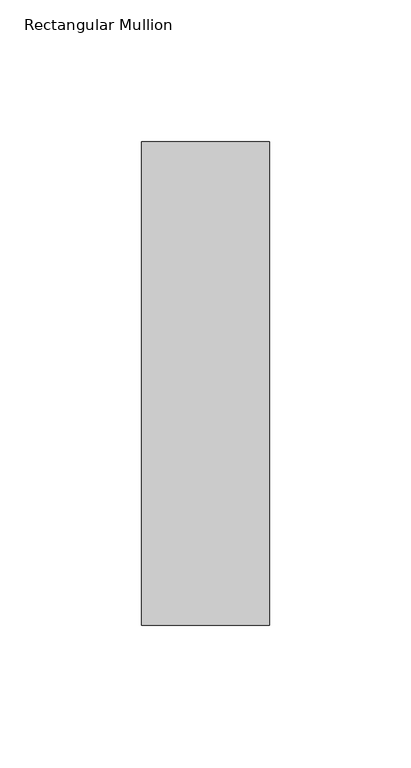
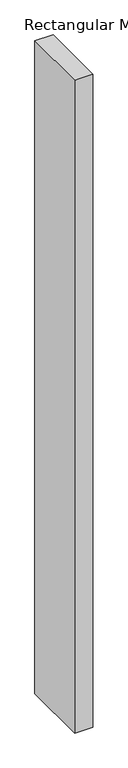
"""IFC4 building model written with IfcOpenShell, lengths in millimetres: member geometry, Rectangular Mullion."""

from ifc_helpers import new_model, si_unit, frame, origin, place, context, project, spatial, polyline, outline, extrude, source, transform, mapped, element, save


def rectangular_mullion_e22dbff5(model_context):
    return source(origin(), model_context, "Body", "SweptSolid", [
        extrude(outline(polyline([(22.5, 130.7), (22.5, -39.7), (-22.5, -39.7), (-22.5, 130.7), (22.5, 130.7)])), frame((0.0, 0.0, -1708.8912252), z_axis=(0.0, 0.0, 1.0), x_axis=(1.0, 0.0, 0.0)), (0.0, 0.0, 1.0), 1708.8912252),
    ])


if __name__ == "__main__":
    model = new_model("IFC4")
    model_context = context("Model", 3, world=origin())
    ifc_project = project(units=[si_unit("LENGTHUNIT", "METRE", prefix="MILLI")], contexts=[model_context])
    site = spatial("IfcSite", under=ifc_project)
    building = spatial("IfcBuilding", under=site)
    placement = place(None, origin())
    rectangular_mullion_shape = rectangular_mullion_e22dbff5(model_context)
    element("IfcMember", 1, ObjectType="Rectangular Mullion", at=placement, inside=building, context=model_context, shape_type="MappedRepresentation", body=[
        mapped(rectangular_mullion_shape, transform((0.0, 0.0, 0.0), x_axis=(1.0, 0.0, 0.0), y_axis=(0.0, 1.0, 0.0), z_axis=(0.0, 0.0, 1.0))),
    ])
    save(model, "model.ifc")
